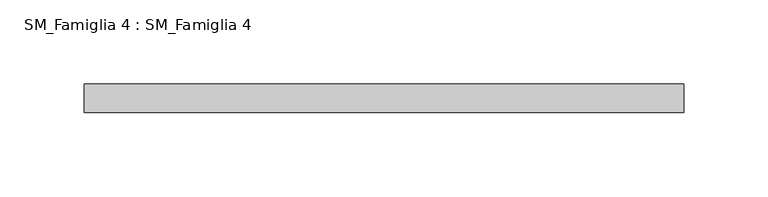
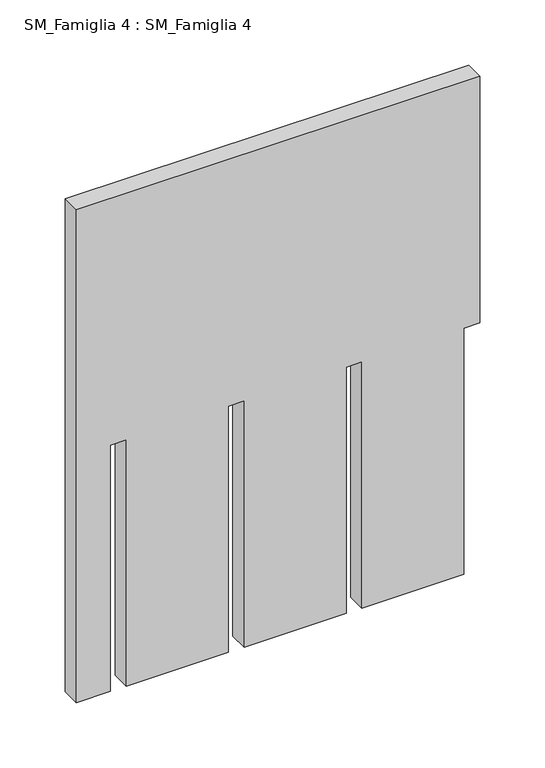
"""IFC4 building model written with IfcOpenShell, lengths in millimetres: proxy geometry, SM_Famiglia 4 : SM_Famiglia 4."""

from ifc_helpers import new_model, si_unit, frame, origin, place, context, project, spatial, polyline, outline, extrude, source, transform, mapped, element, save


def sm_famiglia_4_sm_famiglia_4_290bc7cd(model_context):
    return source(origin(), model_context, "Body", "SweptSolid", [
        extrude(outline(polyline([(0.0, -338.0), (0.0, -248.0), (230.0, -248.0), (230.0, -234.0), (0.0, -234.0), (0.0, -144.0), (230.0, -144.0), (230.0, -130.0), (0.0, -130.0), (0.0, -40.0), (230.0, -40.0), (230.0, -26.0), (460.0, -26.0), (460.0, -382.0), (0.0, -382.0), (0.0, -352.0), (230.0, -352.0), (230.0, -338.0), (0.0, -338.0)])), frame((0.0, 0.0, 0.0), z_axis=(0.0, 1.0, 0.0), x_axis=(0.0, 0.0, 1.0)), (0.0, 0.0, 1.0), 17.0),
    ])


if __name__ == "__main__":
    model = new_model("IFC4")
    model_context = context("Model", 3, world=origin())
    ifc_project = project(units=[si_unit("LENGTHUNIT", "METRE", prefix="MILLI")], contexts=[model_context])
    site = spatial("IfcSite", under=ifc_project)
    building = spatial("IfcBuilding", under=site)
    placement = place(None, origin())
    sm_famiglia_4_sm_famiglia_4_shape = sm_famiglia_4_sm_famiglia_4_290bc7cd(model_context)
    element("IfcBuildingElementProxy", 1, Name="SM_Famiglia 4 : SM_Famiglia 4", ObjectType="SM_Famiglia 4 : SM_Famiglia 4", at=placement, inside=building, context=model_context, shape_type="MappedRepresentation", body=[
        mapped(sm_famiglia_4_sm_famiglia_4_shape, transform((0.0, 0.0, 0.0), x_axis=(1.0, 0.0, 0.0), y_axis=(0.0, 1.0, 0.0), z_axis=(0.0, 0.0, 1.0))),
    ])
    save(model, "model.ifc")
